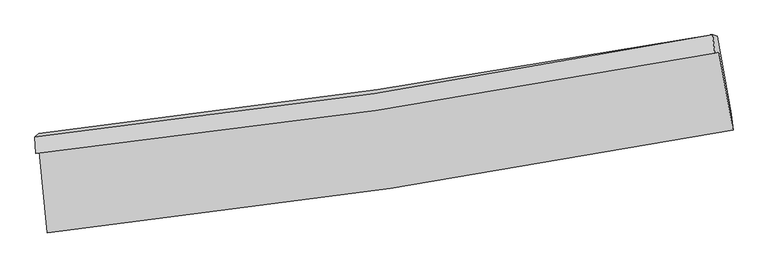
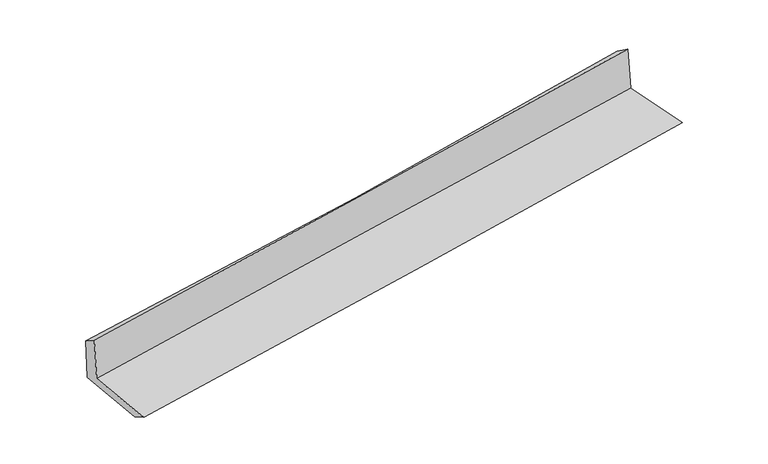
"""IFC4 building model written with IfcOpenShell, lengths in millimetres: proxy geometry."""

from ifc_helpers import new_model, si_unit, frame, origin, place, context, project, spatial, source, transform, mapped, element, save
from ifc_brep_helpers import plane_surface, spline_curve, spline_surface, advanced_brep


def generic_models_4e53949f(model_context):
    return source(origin(), model_context, "Body", "AdvancedBrep", [
        advanced_brep(
        [(-2782.4342185, -1885.9316924, 1625.8727298), (-2720.4027294, -2551.7130742, 1618.6101418), (2856.1484217, -1714.4655789, 2110.3186143), (2740.7829908, -1077.9301289, 2112.703499), (-2814.1862178, -1903.3164861, 2027.6309925), (2707.72775, -1085.4440132, 2519.1892377), (-2819.5988326, -1771.3025784, 1946.1172315), (2690.1495586, -938.0527463, 2411.8449192), (-2789.670409, -1743.0344897, 1554.2285806), (2725.8499768, -947.2753136, 2009.8808399), (-2726.9457145, -2410.7503802, 1540.7664511), (2841.8382827, -1584.2909464, 2001.1650509)],
        [
            (0, 1),
            (1, 2, spline_curve(3, [(-2720.4027294, -2551.7130742, 1618.6101418), (-1789.616018516, -2448.795419211, 1726.575297502), (-860.262922153, -2327.708922335, 1821.488238314), (998.59681062, -2048.744910897, 1985.476181621), (1928.094097917, -1890.748909119, 2054.466065059), (2856.1484217, -1714.4655789, 2110.3186143)], [4, 2, 4], [0.0, 9.226046258960073, 18.482127183642724])),
            (2, 3),
            (3, 0, spline_curve(3, [(2740.7829908, -1077.9301289, 2112.703499), (1820.238409016, -1237.57051067, 2057.769283189), (898.948842808, -1384.813472331, 1989.645617968), (-942.128387072, -1654.06700187, 1827.283238121), (-1861.911224212, -1776.157894573, 1733.129980199), (-2782.4342185, -1885.9316924, 1625.8727298)], [4, 2, 4], [0.0, 9.256080924682651, 18.482127183642724])),
            (4, 0),
            (3, 5),
            (5, 4, spline_curve(3, [(2707.72775, -1085.4440132, 2519.1892377), (1788.911327645, -1261.629426084, 2471.147609354), (868.593394024, -1417.956711892, 2406.069399407), (-972.054324072, -1690.452204706, 2242.106267808), (-1892.374379337, -1806.749077007, 2143.331729273), (-2814.1862178, -1903.3164861, 2027.6309925)], [4, 2, 4], [0.0, 9.210025822384624, 18.39016642130129])),
            (6, 4),
            (5, 7),
            (7, 6, spline_curve(3, [(2690.1495586, -938.0527463, 2411.8449192), (1775.781046652, -1116.87800799, 2343.637653012), (858.70054951, -1275.808687905, 2270.65255774), (-977.899818766, -1553.429730939, 2115.379038886), (-1897.402118846, -1672.248995358, 2033.121571506), (-2819.5988326, -1771.3025784, 1946.1172315)], [4, 2, 4], [0.0, 9.200839041721702, 18.37182266977168])),
            (8, 6),
            (7, 9),
            (9, 8, spline_curve(3, [(2725.8499768, -947.2753136, 2009.8808399), (1808.738964052, -1106.70139023, 1936.778879752), (889.806880775, -1252.813856246, 1862.192764519), (-948.711713389, -1517.980653561, 1710.299062284), (-1868.286425578, -1637.121246312, 1633.001090785), (-2789.670409, -1743.0344897, 1554.2285806)], [4, 2, 4], [0.0, 9.189109267690819, 18.34840118315783])),
            (10, 8),
            (9, 11),
            (11, 10, spline_curve(3, [(2841.8382827, -1584.2909464, 2001.1650509), (1916.394105917, -1754.345745835, 1927.289692519), (988.849139638, -1908.330613482, 1851.920691791), (-867.425804422, -2183.712971372, 1698.44481435), (-1796.142170293, -2305.21458172, 1620.347614917), (-2726.9457145, -2410.7503802, 1540.7664511)], [4, 2, 4], [0.0, 9.235312044147467, 18.44065681463487])),
            (1, 10),
            (11, 2),
        ],
        [
            spline_surface(3, 3, [[(-2782.4342185, -1885.9316924, 1625.8727298), (-1861.911224117, -1776.157894431, 1733.1299802), (-942.128387121, -1654.067001746, 1827.28323807), (898.948842858, -1384.813472455, 1989.645618019), (1820.238408989, -1237.570510609, 2057.769283253), (2740.7829908, -1077.9301289, 2112.703499)], [(-2761.757055488, -2107.85881967, 1623.451867138), (-1837.812822304, -2000.370402657, 1730.945085925), (-914.839898804, -1878.614308621, 1825.351571471), (932.164832168, -1606.12395196, 1988.2558059), (1856.190305342, -1455.296643489, 2056.668210493), (2779.238134454, -1290.108612243, 2111.908537444)], [(-2741.079892412, -2329.78594693, 1621.031004462), (-1813.714420427, -2224.582910873, 1728.760191636), (-887.551410562, -2103.161615442, 1823.419904872), (965.380821403, -1827.43443141, 1986.865993781), (1892.142201634, -1673.02277634, 2055.567137703), (2817.693278046, -1502.287095557, 2111.113575856)], [(-2720.4027294, -2551.7130742, 1618.6101418), (-1789.616018615, -2448.795419098, 1726.575297362), (-860.262922245, -2327.708922317, 1821.488238274), (998.596810713, -2048.744910916, 1985.476181662), (1928.094097986, -1890.74890922, 2054.466064943), (2856.1484217, -1714.4655789, 2110.3186143)]], [4, 4], [4, 2, 4], [0.0, 2.2143148407908346], [0.0, 9.226046258960073, 18.482127183642724]),
            spline_surface(3, 3, [[(-2814.1862178, -1903.3164861, 2027.6309925), (-1892.37437941, -1806.749076972, 2143.331729274), (-972.054323953, -1690.452204859, 2242.1062678), (868.593393904, -1417.956711739, 2406.069399415), (1788.911327679, -1261.629426208, 2471.14760923), (2707.72775, -1085.4440132, 2519.1892377)], [(-2803.602218025, -1897.52155487, 1893.711571625), (-1882.219994304, -1796.552016128, 2006.597812942), (-962.07901167, -1678.323803827, 2103.831924543), (878.711876894, -1406.908965317, 2267.26147227), (1799.353688093, -1253.609787688, 2333.354833882), (2718.746163578, -1082.939385113, 2383.693991444)], [(-2793.018218275, -1891.72662363, 1759.792150675), (-1872.065609223, -1786.354955275, 1869.863896533), (-952.103699404, -1666.195402778, 1965.557581327), (888.830359868, -1395.861218878, 2128.453545164), (1809.796048575, -1245.590149129, 2195.562058602), (2729.764577222, -1080.434756987, 2248.198745256)], [(-2782.4342185, -1885.9316924, 1625.8727298), (-1861.911224117, -1776.157894431, 1733.1299802), (-942.128387121, -1654.067001746, 1827.28323807), (898.948842858, -1384.813472455, 1989.645618019), (1820.238408989, -1237.570510609, 2057.769283253), (2740.7829908, -1077.9301289, 2112.703499)]], [4, 4], [4, 2, 4], [0.0, 1.3719311188268657], [0.0, 9.180140598916667, 18.39016642130129]),
            spline_surface(3, 3, [[(-2819.5988326, -1771.3025784, 1946.1172315), (-1897.402118901, -1672.248995363, 2033.121571448), (-977.899818895, -1553.429731081, 2115.379038808), (858.700549639, -1275.808687763, 2270.652557818), (1775.781046678, -1116.878007989, 2343.637653028), (2690.1495586, -938.0527463, 2411.8449192)], [(-2817.794627661, -1815.307214281, 1973.288485149), (-1895.726205731, -1717.08235588, 2069.858290706), (-975.9513206, -1599.103888986, 2157.621448488), (861.998164375, -1323.191362401, 2315.791505033), (1780.157807025, -1165.128480703, 2386.140971776), (2696.008955746, -987.183168575, 2447.626358714)], [(-2815.990422739, -1859.311850219, 2000.459738851), (-1894.05029258, -1761.915716455, 2106.595010016), (-974.002822247, -1644.778046953, 2199.86385812), (865.295779168, -1370.574037101, 2360.9304522), (1784.534567333, -1213.378953494, 2428.644290482), (2701.868352854, -1036.313590925, 2483.407798186)], [(-2814.1862178, -1903.3164861, 2027.6309925), (-1892.37437941, -1806.749076972, 2143.331729274), (-972.054323953, -1690.452204859, 2242.1062678), (868.593393904, -1417.956711739, 2406.069399415), (1788.911327679, -1261.629426208, 2471.14760923), (2707.72775, -1085.4440132, 2519.1892377)]], [4, 4], [4, 2, 4], [0.0, 0.628792029548294], [0.0, 9.17098362804998, 18.37182266977168]),
            spline_surface(3, 3, [[(-2789.670409, -1743.0344897, 1554.2285806), (-1868.286425558, -1637.121246264, 1633.001090721), (-948.711713473, -1517.980653578, 1710.299062139), (889.80688086, -1252.81385623, 1862.192764664), (1808.738964018, -1106.701390241, 1936.778879727), (2725.8499768, -947.2753136, 2009.8808399)], [(-2799.646550213, -1752.457185939, 1684.858130889), (-1877.991656685, -1648.830495969, 1766.374584285), (-958.441081938, -1529.797012766, 1845.325721013), (879.438103796, -1260.478800094, 1998.346029033), (1797.752991557, -1110.093596187, 2072.398470838), (2713.949837386, -944.20112453, 2143.868866344)], [(-2809.622691387, -1761.879882161, 1815.487681211), (-1887.696887774, -1660.539745658, 1899.748077883), (-968.170450431, -1541.613371893, 1980.352379934), (869.069326703, -1268.143743898, 2134.499293449), (1786.767019139, -1113.485802043, 2208.018061917), (2702.049698014, -941.12693537, 2277.856892756)], [(-2819.5988326, -1771.3025784, 1946.1172315), (-1897.402118901, -1672.248995363, 2033.121571448), (-977.899818895, -1553.429731081, 2115.379038808), (858.700549639, -1275.808687763, 2270.652557818), (1775.781046678, -1116.878007989, 2343.637653028), (2690.1495586, -938.0527463, 2411.8449192)]], [4, 4], [4, 2, 4], [0.0, 1.3416507939824736], [0.0, 9.15929191546701, 18.34840118315783]),
            spline_surface(3, 3, [[(-2726.9457145, -2410.7503802, 1540.7664511), (-1796.142170309, -2305.214581575, 1620.347615053), (-867.4258043, -2183.712971355, 1698.444814313), (988.849139516, -1908.330613499, 1851.920691828), (1916.394105889, -1754.345745795, 1927.289692511), (2841.8382827, -1584.2909464, 2001.1650509)], [(-2747.853945993, -2188.178416698, 1545.253827603), (-1820.190255385, -2082.516803136, 1624.565440279), (-894.521107355, -1961.802198743, 1702.396230246), (955.8350533, -1689.825027723, 1855.344716097), (1880.509058608, -1538.464293933, 1930.452754901), (2803.175514076, -1371.952402123, 2004.070313885)], [(-2768.762177507, -1965.606453202, 1549.741204097), (-1844.238340482, -1859.819024703, 1628.783265495), (-921.616410418, -1739.89142619, 1706.347646206), (922.820967076, -1471.319442005, 1858.768740395), (1844.624011299, -1322.582842103, 1933.615817337), (2764.512745424, -1159.613857877, 2006.975576915)], [(-2789.670409, -1743.0344897, 1554.2285806), (-1868.286425558, -1637.121246264, 1633.001090721), (-948.711713473, -1517.980653578, 1710.299062139), (889.80688086, -1252.81385623, 1862.192764664), (1808.738964018, -1106.701390241, 1936.778879727), (2725.8499768, -947.2753136, 2009.8808399)]], [4, 4], [4, 2, 4], [0.0, 2.187756737244382], [0.0, 9.205344770487404, 18.44065681463487]),
            spline_surface(3, 3, [[(-2720.4027294, -2551.7130742, 1618.6101418), (-1789.616018615, -2448.795419098, 1726.575297362), (-860.262922245, -2327.708922317, 1821.488238274), (998.596810713, -2048.744910916, 1985.476181662), (1928.094097986, -1890.74890922, 2054.466064943), (2856.1484217, -1714.4655789, 2110.3186143)], [(-2722.58372442, -2504.725509543, 1592.662244895), (-1791.7914025, -2400.935139933, 1691.166069921), (-862.65054962, -2279.710271991, 1780.473763641), (995.347586958, -2001.940145105, 1940.957685072), (1924.194100615, -1845.281188061, 2012.073940803), (2851.378375361, -1671.074034716, 2073.93409317)], [(-2724.76471948, -2457.737944857, 1566.714348005), (-1793.966786424, -2353.074860741, 1655.756842494), (-865.038176926, -2231.71162168, 1739.459288945), (992.098363272, -1955.135379309, 1896.439188418), (1920.29410326, -1799.813466954, 1969.681816652), (2846.608329039, -1627.682490584, 2037.54957203)], [(-2726.9457145, -2410.7503802, 1540.7664511), (-1796.142170309, -2305.214581575, 1620.347615053), (-867.4258043, -2183.712971355, 1698.444814313), (988.849139516, -1908.330613499, 1851.920691828), (1916.394105889, -1754.345745795, 1927.289692511), (2841.8382827, -1584.2909464, 2001.1650509)]], [4, 4], [4, 2, 4], [0.0, 0.6290090607356407], [0.0, 9.262816583446625, 18.555787535506262]),
            plane_surface(frame((2760.4161635, -1224.5764546, 2194.1836935), z_axis=(0.9806274029234432, 0.177417457086958, 0.08302374694279124), x_axis=(-0.08844362119422622, 0.02284783431069392, 0.9958191112533257))),
            plane_surface(frame((-2775.539687, -2044.3414502, 1718.8710212), z_axis=(-0.9923848534893522, -0.09156267601432522, -0.08239283297722483), x_axis=(-0.09276369987232677, 0.9956289175606103, 0.010860686124011748))),
        ],
        [
            (0, [[1, 2, 3, 4]]),
            (1, [[5, -4, 6, 7]]),
            (2, [[8, -7, 9, 10]]),
            (3, [[11, -10, 12, 13]]),
            (4, [[14, -13, 15, 16]]),
            (5, [[17, -16, 18, -2]]),
            (6, [[-12, -9, -6, -3, -18, -15]]),
            (7, [[-1, -5, -8, -11, -14, -17]]),
        ],
    ),
    ])


if __name__ == "__main__":
    model = new_model("IFC4")
    model_context = context("Model", 3, world=origin())
    ifc_project = project(units=[si_unit("LENGTHUNIT", "METRE", prefix="MILLI")], contexts=[model_context])
    site = spatial("IfcSite", under=ifc_project)
    building = spatial("IfcBuilding", under=site)
    placement = place(None, origin())
    generic_models_shape = generic_models_4e53949f(model_context)
    element("IfcBuildingElementProxy", 1, Name="Generic Models", at=placement, inside=building, context=model_context, shape_type="MappedRepresentation", body=[
        mapped(generic_models_shape, transform((0.0, 0.0, 0.0), x_axis=(1.0, 0.0, 0.0), y_axis=(0.0, 1.0, 0.0), z_axis=(0.0, 0.0, 1.0))),
    ])
    save(model, "model.ifc")
